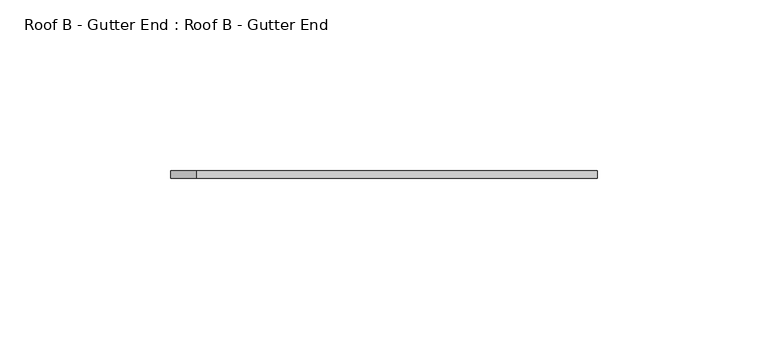
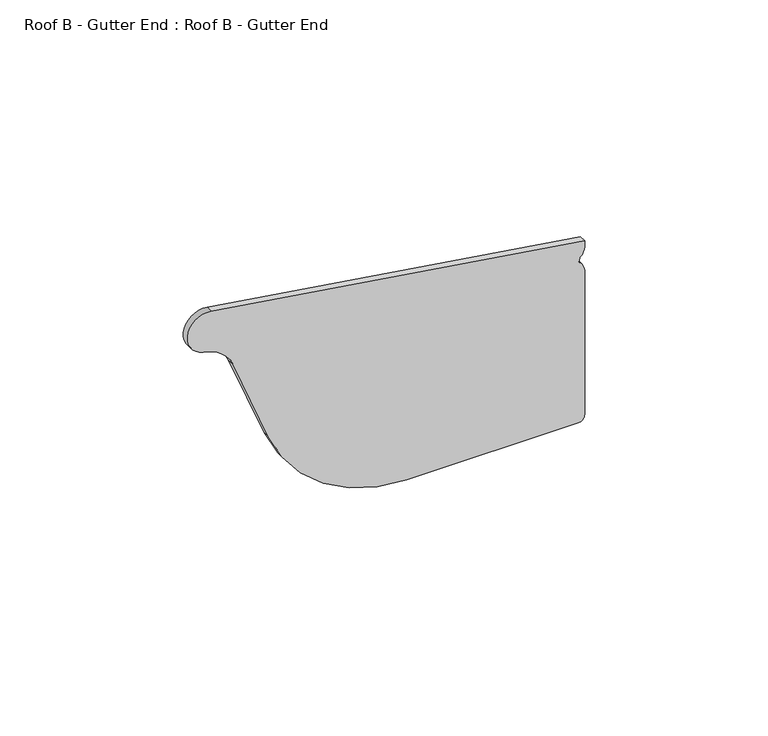
"""IFC4 building model written with IfcOpenShell, lengths in millimetres: proxy geometry, Roof B - Gutter End : Roof B - Gutter End."""

from ifc_helpers import new_model, si_unit, point, frame, frame_2d, origin, place, context, project, spatial, polyline, circle_curve, trimmed, segment, composite_curve, outline, extrude, source, transform, mapped, element, save


def roof_b_gutter_end_roof_b_gutter_end_feb0a4ef(model_context):
    return source(origin(), model_context, "Body", "SweptSolid", [
        extrude(outline(composite_curve([segment(polyline([(3170.6763391, -609.6672615), (3170.6763391, -555.6672615)]), True, "CONTINUOUS"), segment(trimmed(circle_curve(frame_2d((3172.6763391, -555.6672615)), 2.0), [point((3170.6763391, -555.6672615))], [point((3172.6763391, -553.6672615))], False, "CARTESIAN"), True, "CONTINUOUS"), segment(polyline([(3172.6763391, -553.6672615), (3220.6370105, -553.6672615)]), True, "CONTINUOUS"), segment(trimmed(circle_curve(frame_2d((3220.5307477, -557.9759239)), 4.3099726), [point((3220.6370105, -553.6672615))], [point((3223.6002352, -554.9503479))], False, "CARTESIAN"), True, "CONTINUOUS"), segment(trimmed(circle_curve(frame_2d((3224.6002352, -553.9646536)), 1.4041343), [point((3223.6002352, -554.9503479))], [point((3225.6002352, -554.9503479))], True, "CARTESIAN"), True, "CONTINUOUS"), segment(trimmed(circle_curve(frame_2d((3228.6697226, -557.9759239)), 4.3099726), [point((3225.6002352, -554.9503479))], [point((3228.5634599, -553.6672615))], False, "CARTESIAN"), True, "CONTINUOUS"), segment(polyline([(3228.5634599, -553.6672615), (3230.5885717, -553.6672615), (3248.218254, -671.1936647)]), True, "CONTINUOUS"), segment(trimmed(circle_curve(frame_2d((3241.7817717, -672.1591766)), 6.5084958), [point((3248.218254, -671.1936647))], [point((3235.4719989, -673.7551982))], False, "CARTESIAN"), True, "CONTINUOUS"), segment(trimmed(circle_curve(frame_2d((3223.6974373, -675.3470345)), 11.8816767), [point((3235.4719989, -673.7551982))], [point((3228.0905136, -664.3073278))], True, "CARTESIAN"), True, "CONTINUOUS"), segment(polyline([(3228.0905136, -664.3073278), (3200.2164005, -653.2152665)]), True, "CONTINUOUS"), segment(trimmed(circle_curve(frame_2d((3217.5456386, -609.6672615)), 46.8692995), [point((3200.2164005, -653.2152665))], [point((3170.6763391, -609.6672615))], False, "CARTESIAN"), True, "CONTINUOUS")], self_intersect=False)), frame((0.0, -67.0, 0.0), z_axis=(0.0, 1.0, 0.0), x_axis=(0.0, 0.0, 1.0)), (0.0, 0.0, 1.0), 2.2149942),
    ])


if __name__ == "__main__":
    model = new_model("IFC4")
    model_context = context("Model", 3, world=origin())
    ifc_project = project(units=[si_unit("LENGTHUNIT", "METRE", prefix="MILLI")], contexts=[model_context])
    site = spatial("IfcSite", under=ifc_project)
    building = spatial("IfcBuilding", under=site)
    placement = place(None, origin())
    roof_b_gutter_end_roof_b_gutter_end_shape = roof_b_gutter_end_roof_b_gutter_end_feb0a4ef(model_context)
    element("IfcBuildingElementProxy", 1, Name="Roof B - Gutter End : Roof B - Gutter End", ObjectType="Roof B - Gutter End : Roof B - Gutter End", at=placement, inside=building, context=model_context, shape_type="MappedRepresentation", body=[
        mapped(roof_b_gutter_end_roof_b_gutter_end_shape, transform((0.0, 0.0, 0.0), x_axis=(1.0, 0.0, 0.0), y_axis=(0.0, 1.0, 0.0), z_axis=(0.0, 0.0, 1.0))),
    ])
    save(model, "model.ifc")
